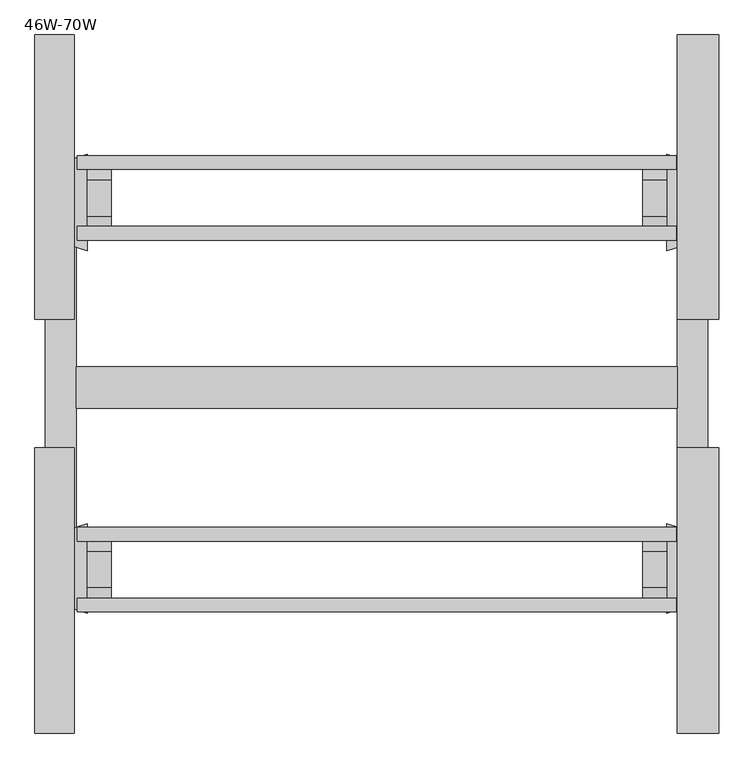
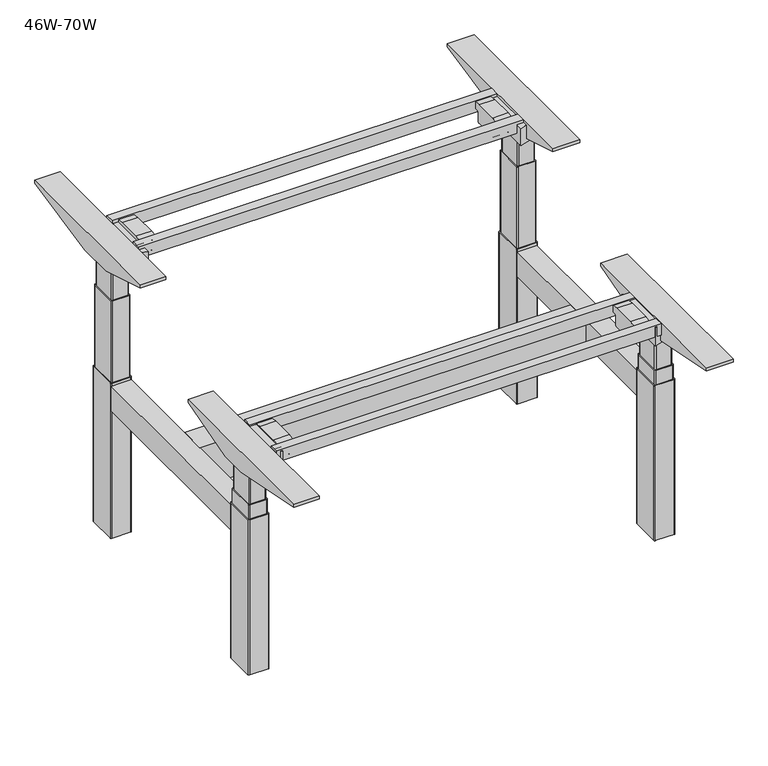
"""IFC4 building model written with IfcOpenShell, lengths in millimetres: furniture geometry, 46W-70W."""

import ifcopenshell
import ifcopenshell.guid

model = None  # the IFC model being written
_history = None  # IfcOwnerHistory: only IFC2X3 demands one
_inside = {}  # id of a spatial element -> (the spatial element, [elements in it])
_under = {}  # id of a project, library or spatial element -> (it, [spatial elements below it])
_declared = {}  # id of a project -> (the project, [libraries it declares])
_typed = {}  # id of a type object -> (the type object, [elements of that type])
_made_of = {}  # id of a material, layer set ... -> (it, [elements and type objects made of it])


def new_model(schema):
    """Start an empty IFC model of exactly this schema.

    Asked for "IFC4X3", IfcOpenShell would pick the latest addendum, in which some entities
    have other attributes; the version numbers below select the first issue.
    IFC2X3 requires an IfcOwnerHistory on every rooted entity: one is made here for all.
    """
    global model, _history
    if schema == "IFC4X3":
        model = ifcopenshell.file(schema_version=(4, 3, 0, 0))
    else:
        model = ifcopenshell.file(schema=schema)
    _inside.clear()
    _under.clear()
    _declared.clear()
    _typed.clear()
    _made_of.clear()
    _history = None
    if model.schema == "IFC2X3":
        org = make("IfcOrganization", Name="unknown")
        user = make(
            "IfcPersonAndOrganization",
            ThePerson=make("IfcPerson", FamilyName="unknown"),
            TheOrganization=org,
        )
        app = make(
            "IfcApplication",
            ApplicationDeveloper=org,
            Version="unknown",
            ApplicationFullName="unknown",
            ApplicationIdentifier="unknown",
        )
        _history = make(
            "IfcOwnerHistory",
            OwningUser=user,
            OwningApplication=app,
            ChangeAction="ADDED",
            CreationDate=0,
        )
    return model


def make(cls, **values):
    """One entity of the class cls with the attributes given. An attribute that is None is left unset."""
    return model.create_entity(
        cls, **{name: value for name, value in values.items() if value is not None}
    )


def rooted(cls, **values):
    """An entity with a GlobalId (a new one), such as an element, a storey or a relation."""
    return make(cls, GlobalId=ifcopenshell.guid.new(), OwnerHistory=_history, **values)


def si_unit(unit_type, name, prefix=None):
    """IfcSIUnit, for example si_unit("LENGTHUNIT", "METRE", prefix="MILLI")."""
    return make("IfcSIUnit", UnitType=unit_type, Prefix=prefix, Name=name)


def assignment(units):
    """IfcUnitAssignment: the units of a project."""
    return None if units is None else make("IfcUnitAssignment", Units=units)


def point(xyz):
    """IfcCartesianPoint."""
    return None if xyz is None else make("IfcCartesianPoint", Coordinates=xyz)


def direction(xyz):
    """IfcDirection."""
    return None if xyz is None else make("IfcDirection", DirectionRatios=xyz)


def frame(location, z_axis=None, x_axis=None):
    """IfcAxis2Placement3D, a coordinate frame: its origin and axes. An axis left out is left unset."""
    return make(
        "IfcAxis2Placement3D",
        Location=point(location),
        Axis=direction(z_axis),
        RefDirection=direction(x_axis),
    )


def frame_2d(location, x_axis=None):
    """IfcAxis2Placement2D, a coordinate frame in the plane: its origin and x axis."""
    return make(
        "IfcAxis2Placement2D", Location=point(location), RefDirection=direction(x_axis)
    )


def origin():
    """The frame at (0, 0, 0) with its axes left unset."""
    return frame((0.0, 0.0, 0.0))


def origin_with_axes():
    """The frame at (0, 0, 0) with the z axis (0, 0, 1) and the x axis (1, 0, 0) written out."""
    return frame((0.0, 0.0, 0.0), z_axis=(0.0, 0.0, 1.0), x_axis=(1.0, 0.0, 0.0))


def place(relative_to, where):
    """IfcLocalPlacement: puts the frame where relative to a parent placement (None: the world)."""
    return make(
        "IfcLocalPlacement", PlacementRelTo=relative_to, RelativePlacement=where
    )


def context(
    kind, dimensions, precision=None, world=None, true_north=None, identifier=None
):
    """IfcGeometricRepresentationContext, for example the 3D "Model" context."""
    return make(
        "IfcGeometricRepresentationContext",
        ContextIdentifier=identifier,
        ContextType=kind,
        CoordinateSpaceDimension=dimensions,
        Precision=precision,
        WorldCoordinateSystem=world,
        TrueNorth=true_north,
    )


def project(units=None, contexts=None):
    """IfcProject with its units and contexts."""
    return rooted(
        "IfcProject",
        Name="project",
        RepresentationContexts=contexts,
        UnitsInContext=assignment(units),
    )


def spatial(cls, under=None, at=None, **own):
    """A site, building, storey or space (cls), placed at a placement, below another one or the project."""
    s = rooted(cls, ObjectPlacement=at, **own)
    if under is not None:
        _under.setdefault(under.id(), (under, []))[1].append(s)
    return s


def polyline(points):
    """IfcPolyline through the points."""
    return make("IfcPolyline", Points=[point(p) for p in points])


def circle_curve(where, radius):
    """IfcCircle in the frame where."""
    return make("IfcCircle", Position=where, Radius=radius)


def trimmed(basis, trim1, trim2, sense, master):
    """IfcTrimmedCurve: the piece of a basis curve between two trims."""
    return make(
        "IfcTrimmedCurve",
        BasisCurve=basis,
        Trim1=trim1,
        Trim2=trim2,
        SenseAgreement=sense,
        MasterRepresentation=master,
    )


def segment(curve, same_sense, transition):
    """IfcCompositeCurveSegment."""
    return make(
        "IfcCompositeCurveSegment",
        Transition=transition,
        SameSense=same_sense,
        ParentCurve=curve,
    )


def composite_curve(segments, self_intersect=None):
    """IfcCompositeCurve: segments joined end to end."""
    return make("IfcCompositeCurve", Segments=segments, SelfIntersect=self_intersect)


def outline(outer, holes=None, kind="AREA"):
    """IfcArbitraryClosedProfileDef: a profile drawn as a closed curve; with holes, ...WithVoids."""
    if holes is None:
        return make("IfcArbitraryClosedProfileDef", ProfileType=kind, OuterCurve=outer)
    return make(
        "IfcArbitraryProfileDefWithVoids",
        ProfileType=kind,
        OuterCurve=outer,
        InnerCurves=holes,
    )


def extrude(swept, where, along, depth):
    """IfcExtrudedAreaSolid: the profile swept, set in the frame where, extruded along a direction by depth."""
    return make(
        "IfcExtrudedAreaSolid",
        SweptArea=swept,
        Position=where,
        ExtrudedDirection=direction(along),
        Depth=depth,
    )


def shape(context_of_items, identifier, shape_type, items):
    """IfcShapeRepresentation: the items that make up one representation, for example the "Body"."""
    return make(
        "IfcShapeRepresentation",
        ContextOfItems=context_of_items,
        RepresentationIdentifier=identifier,
        RepresentationType=shape_type,
        Items=items,
    )


def source(mapping_origin, context_of_items, identifier, shape_type, items):
    """IfcRepresentationMap: a shape defined once, which mapped items show again and again."""
    return make(
        "IfcRepresentationMap",
        MappingOrigin=mapping_origin,
        MappedRepresentation=shape(context_of_items, identifier, shape_type, items),
    )


def transform(
    local_origin,
    x_axis=None,
    y_axis=None,
    z_axis=None,
    scale=None,
    scale2=None,
    scale3=None,
    uniform=True,
):
    """IfcCartesianTransformationOperator3D, or its non-uniform kind. x_axis, y_axis, z_axis: its Axis1, 2, 3."""
    if uniform:
        return make(
            "IfcCartesianTransformationOperator3D",
            Axis1=direction(x_axis),
            Axis2=direction(y_axis),
            LocalOrigin=point(local_origin),
            Scale=scale,
            Axis3=direction(z_axis),
        )
    return make(
        "IfcCartesianTransformationOperator3DnonUniform",
        Axis1=direction(x_axis),
        Axis2=direction(y_axis),
        LocalOrigin=point(local_origin),
        Scale=scale,
        Axis3=direction(z_axis),
        Scale2=scale2,
        Scale3=scale3,
    )


def mapped(mapping_source, mapping_target):
    """IfcMappedItem: shows the shape of a source again, moved by a transform."""
    return make(
        "IfcMappedItem", MappingSource=mapping_source, MappingTarget=mapping_target
    )


def made_of(thing, what):
    """Note that an element or type object is made of a material, layer set ...; save() writes the relation."""
    if what is not None:
        _made_of.setdefault(what.id(), (what, []))[1].append(thing)
    return thing


def element(
    cls,
    number,
    at=None,
    inside=None,
    cuts=None,
    type_object=None,
    material=None,
    context=None,
    identifier="Body",
    shape_type=None,
    held_by="IfcProductDefinitionShape",
    body=None,
    shapes=None,
    **own,
):
    """One element of the class cls, such as IfcWall. Its Tag is "e" and its number.

    at: its placement. inside: the storey or other place that contains it. cuts: it is an
    opening in that element (IfcRelVoidsElement). A single representation is given by context,
    identifier, shape_type and body (its items); several are given by shapes. held_by: the class
    of the entity that holds the representations. save() writes the other relations.
    """
    e = rooted(cls, Tag="e%d" % number, ObjectPlacement=at, **own)
    if body is not None:
        shapes = [shape(context, identifier, shape_type, body)]
    if shapes is not None:
        e.Representation = make(held_by, Representations=shapes)
    if inside is not None:
        _inside.setdefault(inside.id(), (inside, []))[1].append(e)
    if cuts is not None:
        rooted(
            "IfcRelVoidsElement", RelatingBuildingElement=cuts, RelatedOpeningElement=e
        )
    if type_object is not None:
        _typed.setdefault(type_object.id(), (type_object, []))[1].append(e)
    return made_of(e, material)


def aggregate(whole, parts):
    """IfcRelAggregates: a whole, such as a stair, and the parts it consists of."""
    return rooted("IfcRelAggregates", RelatingObject=whole, RelatedObjects=parts)


def save(model, path):
    """Write the relations noted so far, then the file.

    IfcRelAggregates (storeys below a building ...), IfcRelContainedInSpatialStructure (elements
    in a storey), IfcRelDefinesByType, IfcRelAssociatesMaterial and IfcRelDeclares: one each for
    every whole, place, type object, material and project.
    """
    for whole, parts in _under.values():
        aggregate(whole, parts)
    for where, things in _inside.values():
        rooted(
            "IfcRelContainedInSpatialStructure",
            RelatedElements=things,
            RelatingStructure=where,
        )
    for kind, things in _typed.values():
        rooted("IfcRelDefinesByType", RelatedObjects=things, RelatingType=kind)
    for what, things in _made_of.values():
        rooted("IfcRelAssociatesMaterial", RelatedObjects=things, RelatingMaterial=what)
    for by, libraries in _declared.values():
        rooted("IfcRelDeclares", RelatingContext=by, RelatedDefinitions=libraries)
    model.write(path)


def furniture_46w_70w_755ee6cf(model_context):
    return source(origin(), model_context, "Body", "SweptSolid", [
        extrude(outline(polyline([(1179.4504883, -466.1832528), (1179.4504883, -491.5833013), (77.8495117, -491.5833013), (77.8495117, -466.1832528), (1179.4504883, -466.1832528)])), frame((0.0, 0.0, 853.3997747), z_axis=(0.0, 0.0, 1.0), x_axis=(1.0, 0.0, 0.0)), (0.0, 0.0, 1.0), 35.6002253),
        extrude(outline(polyline([(1179.4504883, -336.1417692), (1179.4504883, -361.5418176), (77.8495117, -361.5418176), (77.8495117, -336.1417692), (1179.4504883, -336.1417692)])), frame((0.0, 0.0, 853.3997747), z_axis=(0.0, 0.0, 1.0), x_axis=(1.0, 0.0, 0.0)), (0.0, 0.0, 1.0), 35.6002253),
        extrude(outline(polyline([(1179.4504883, -1019.7166987), (1179.4504883, -1045.1167472), (77.8495117, -1045.1167472), (77.8495117, -1019.7166987), (1179.4504883, -1019.7166987)])), frame((0.0, 0.0, 650.1997747), z_axis=(0.0, 0.0, 1.0), x_axis=(1.0, 0.0, 0.0)), (0.0, 0.0, 1.0), 35.6002253),
        extrude(outline(polyline([(1179.4504883, -1149.7581824), (1179.4504883, -1175.1582308), (77.8495117, -1175.1582308), (77.8495117, -1149.7581824), (1179.4504883, -1149.7581824)])), frame((0.0, 0.0, 650.1997747), z_axis=(0.0, 0.0, 1.0), x_axis=(1.0, 0.0, 0.0)), (0.0, 0.0, 1.0), 35.6002253),
        extrude(outline(polyline([(467.7156009, 1180.882959), (467.7156009, 76.417041), (388.942891, 76.417041), (347.7514117, 129.7292559), (347.7514117, 1127.5707441), (388.942891, 1180.882959), (467.7156009, 1180.882959)])), frame((0.0, -800.1, 0.0), z_axis=(0.0, 1.0, 0.0), x_axis=(0.0, 0.0, 1.0)), (0.0, 0.0, 1.0), 76.2),
        extrude(outline(composite_curve([segment(polyline([(-1040.1471632, 662.7171551), (-1054.6796212, 662.7171551)]), True, "CONTINUOUS"), segment(trimmed(circle_curve(frame_2d((-1054.6796212, 660.1436804)), 2.5734747), [point((-1054.6796212, 662.7171551))], [point((-1057.2530959, 660.1436804))], True, "CARTESIAN"), True, "CONTINUOUS"), segment(polyline([(-1057.2530959, 660.1436804), (-1057.2530959, 633.6605175)]), True, "CONTINUOUS"), segment(trimmed(circle_curve(frame_2d((-1062.3077725, 633.6605175)), 5.0546767), [point((-1057.2530959, 633.6605175))], [point((-1062.3077725, 628.6058409))], False, "CARTESIAN"), True, "CONTINUOUS"), segment(polyline([(-1062.3077725, 628.6058409), (-1131.1363616, 628.6058409)]), True, "CONTINUOUS"), segment(trimmed(circle_curve(frame_2d((-1131.1363616, 633.4898603)), 4.8840194), [point((-1131.1363616, 628.6058409))], [point((-1136.020381, 633.4898603))], False, "CARTESIAN"), True, "CONTINUOUS"), segment(polyline([(-1136.020381, 633.4898603), (-1136.020381, 659.3779551)]), True, "CONTINUOUS"), segment(trimmed(circle_curve(frame_2d((-1139.1693211, 659.3779551)), 3.1489401), [point((-1136.020381, 659.3779551))], [point((-1139.1693211, 662.5268952))], True, "CARTESIAN"), True, "CONTINUOUS"), segment(polyline([(-1139.1693211, 662.5268952), (-1153.5282722, 662.5268952), (-1153.5282722, 682.4799481), (-1129.9048758, 685.8), (-1063.1945212, 685.8), (-1040.1471632, 682.5609051), (-1040.1471632, 662.7171551)]), True, "CONTINUOUS")], self_intersect=False)), frame((1117.6124023, 0.0, 0.0), z_axis=(1.0, 0.0, 0.0), x_axis=(0.0, 1.0, 0.0)), (0.0, 0.0, 1.0), 43.8949951),
        extrude(outline(composite_curve([segment(polyline([(-1040.2605008, 662.7171551), (-1054.7929587, 662.7171551)]), True, "CONTINUOUS"), segment(trimmed(circle_curve(frame_2d((-1054.7929587, 660.1436804)), 2.5734747), [point((-1054.7929587, 662.7171551))], [point((-1057.3664334, 660.1436804))], True, "CARTESIAN"), True, "CONTINUOUS"), segment(polyline([(-1057.3664334, 660.1436804), (-1057.3664334, 633.6605175)]), True, "CONTINUOUS"), segment(trimmed(circle_curve(frame_2d((-1062.42111, 633.6605175)), 5.0546767), [point((-1057.3664334, 633.6605175))], [point((-1062.42111, 628.6058409))], False, "CARTESIAN"), True, "CONTINUOUS"), segment(polyline([(-1062.42111, 628.6058409), (-1131.2496991, 628.6058409)]), True, "CONTINUOUS"), segment(trimmed(circle_curve(frame_2d((-1131.2496991, 633.4898603)), 4.8840194), [point((-1131.2496991, 628.6058409))], [point((-1136.1337185, 633.4898603))], False, "CARTESIAN"), True, "CONTINUOUS"), segment(polyline([(-1136.1337185, 633.4898603), (-1136.1337185, 659.3779551)]), True, "CONTINUOUS"), segment(trimmed(circle_curve(frame_2d((-1139.2826586, 659.3779551)), 3.1489401), [point((-1136.1337185, 659.3779551))], [point((-1139.2826586, 662.5268952))], True, "CARTESIAN"), True, "CONTINUOUS"), segment(polyline([(-1139.2826586, 662.5268952), (-1153.6416097, 662.5268952), (-1153.6416097, 682.4799481), (-1130.0182133, 685.8), (-1063.3078587, 685.8), (-1040.2605008, 682.5609051), (-1040.2605008, 662.7171551)]), True, "CONTINUOUS")], self_intersect=False)), frame((95.7926025, 0.0, 0.0), z_axis=(1.0, 0.0, 0.0), x_axis=(0.0, 1.0, 0.0)), (0.0, 0.0, 1.0), 45.0298096),
        extrude(outline(polyline([(-873.4827468, 676.5860275), (-1057.3018819, 624.5270521), (-1136.5016988, 624.5270521), (-1397.715681, 676.5860275), (-1397.715681, 685.8), (-873.4827468, 685.8), (-873.4827468, 676.5860275)])), frame((1180.882959, 0.0, 0.0), z_axis=(1.0, 0.0, 0.0), x_axis=(0.0, 1.0, 0.0)), (0.0, 0.0, 1.0), 76.417041),
        extrude(outline(polyline([(-873.4827468, 676.5860275), (-1057.3018819, 624.5270521), (-1136.5016988, 624.5270521), (-1397.715681, 676.5860275), (-1397.715681, 685.8), (-873.4827468, 685.8), (-873.4827468, 676.5860275)])), frame((0.0, 0.0, 0.0), z_axis=(1.0, 0.0, 0.0), x_axis=(0.0, 1.0, 0.0)), (0.0, 0.0, 1.0), 72.4079834),
        extrude(outline(composite_curve([segment(polyline([(-471.1298559, 865.9171551), (-471.1298559, 885.7609051), (-448.3484954, 888.9626165), (-381.1061459, 888.9626165), (-357.7487469, 885.6799481), (-357.7487469, 865.7268952), (-372.1076981, 865.7268952)]), True, "CONTINUOUS"), segment(trimmed(circle_curve(frame_2d((-372.1076981, 862.5779551)), 3.1489401), [point((-372.1076981, 865.7268952))], [point((-375.2566381, 862.5779551))], True, "CARTESIAN"), True, "CONTINUOUS"), segment(polyline([(-375.2566381, 862.5779551), (-375.2566381, 836.6898603)]), True, "CONTINUOUS"), segment(trimmed(circle_curve(frame_2d((-380.1406576, 836.6898603)), 4.8840194), [point((-375.2566381, 836.6898603))], [point((-380.1406576, 831.8058409))], False, "CARTESIAN"), True, "CONTINUOUS"), segment(polyline([(-380.1406576, 831.8058409), (-448.9692466, 831.8058409)]), True, "CONTINUOUS"), segment(trimmed(circle_curve(frame_2d((-448.9692466, 836.8605175)), 5.0546767), [point((-448.9692466, 831.8058409))], [point((-454.0239233, 836.8605175))], False, "CARTESIAN"), True, "CONTINUOUS"), segment(polyline([(-454.0239233, 836.8605175), (-454.0239233, 863.3436804)]), True, "CONTINUOUS"), segment(trimmed(circle_curve(frame_2d((-456.5973979, 863.3436804)), 2.5734747), [point((-454.0239233, 863.3436804))], [point((-456.5973979, 865.9171551))], True, "CARTESIAN"), True, "CONTINUOUS"), segment(polyline([(-456.5973979, 865.9171551), (-471.1298559, 865.9171551)]), True, "CONTINUOUS")], self_intersect=False)), frame((1117.6124023, 0.0, 0.0), z_axis=(1.0, 0.0, 0.0), x_axis=(0.0, 1.0, 0.0)), (0.0, 0.0, 1.0), 43.8949951),
        extrude(outline(polyline([(-361.2125066, 827.7270521), (-466.9950396, 827.7270521), (-637.1542941, 879.7860275), (-637.1542941, 889.0), (-114.0732863, 889.0), (-114.0732863, 879.5903854), (-361.2125066, 827.7270521)])), frame((1180.882959, 0.0, 0.0), z_axis=(1.0, 0.0, 0.0), x_axis=(0.0, 1.0, 0.0)), (0.0, 0.0, 1.0), 76.417041),
        extrude(outline(composite_curve([segment(polyline([(-471.1298559, 865.9171551), (-471.1298559, 885.7609051), (-448.3484954, 888.9626165), (-381.1061459, 888.9626165), (-357.7487469, 885.6799481), (-357.7487469, 865.7268952), (-372.1076981, 865.7268952)]), True, "CONTINUOUS"), segment(trimmed(circle_curve(frame_2d((-372.1076981, 862.5779551)), 3.1489401), [point((-372.1076981, 865.7268952))], [point((-375.2566381, 862.5779551))], True, "CARTESIAN"), True, "CONTINUOUS"), segment(polyline([(-375.2566381, 862.5779551), (-375.2566381, 836.6898603)]), True, "CONTINUOUS"), segment(trimmed(circle_curve(frame_2d((-380.1406576, 836.6898603)), 4.8840194), [point((-375.2566381, 836.6898603))], [point((-380.1406576, 831.8058409))], False, "CARTESIAN"), True, "CONTINUOUS"), segment(polyline([(-380.1406576, 831.8058409), (-448.9692466, 831.8058409)]), True, "CONTINUOUS"), segment(trimmed(circle_curve(frame_2d((-448.9692466, 836.8605175)), 5.0546767), [point((-448.9692466, 831.8058409))], [point((-454.0239233, 836.8605175))], False, "CARTESIAN"), True, "CONTINUOUS"), segment(polyline([(-454.0239233, 836.8605175), (-454.0239233, 863.3436804)]), True, "CONTINUOUS"), segment(trimmed(circle_curve(frame_2d((-456.5973979, 863.3436804)), 2.5734747), [point((-454.0239233, 863.3436804))], [point((-456.5973979, 865.9171551))], True, "CARTESIAN"), True, "CONTINUOUS"), segment(polyline([(-456.5973979, 865.9171551), (-471.1298559, 865.9171551)]), True, "CONTINUOUS")], self_intersect=False)), frame((95.7926025, 0.0, 0.0), z_axis=(1.0, 0.0, 0.0), x_axis=(0.0, 1.0, 0.0)), (0.0, 0.0, 1.0), 45.0298096),
        extrude(outline(polyline([(-361.2125066, 827.7270521), (-466.9950396, 827.7270521), (-637.1542941, 879.7860275), (-637.1542941, 889.0), (-114.0732863, 889.0), (-114.0732863, 879.5903854), (-361.2125066, 827.7270521)])), frame((0.0, 0.0, 0.0), z_axis=(1.0, 0.0, 0.0), x_axis=(0.0, 1.0, 0.0)), (0.0, 0.0, 1.0), 72.4079834),
        extrude(outline(composite_curve([segment(trimmed(circle_curve(frame_2d((47.804834, -1102.4053786)), 21.5292959), [point((26.275538, -1102.4053786))], [point((69.3341299, -1102.4053786))], False, "CARTESIAN"), True, "CONTINUOUS"), segment(trimmed(circle_curve(frame_2d((47.804834, -1102.4053786)), 21.5292959), [point((69.3341299, -1102.4053786))], [point((26.275538, -1102.4053786))], False, "CARTESIAN"), True, "CONTINUOUS")], self_intersect=False)), origin_with_axes(), (0.0, 0.0, 1.0), 7.1278597),
        extrude(outline(composite_curve([segment(trimmed(circle_curve(frame_2d((47.804834, -413.3792189)), 21.0370509), [point((26.7677831, -413.3792189))], [point((68.8418849, -413.3792189))], False, "CARTESIAN"), True, "CONTINUOUS"), segment(trimmed(circle_curve(frame_2d((47.804834, -413.3792189)), 21.0370509), [point((68.8418849, -413.3792189))], [point((26.7677831, -413.3792189))], False, "CARTESIAN"), True, "CONTINUOUS")], self_intersect=False)), origin_with_axes(), (0.0, 0.0, 1.0), 7.1278597),
        extrude(outline(composite_curve([segment(trimmed(circle_curve(frame_2d((1210.109082, -413.3792189)), 21.59), [point((1188.519082, -413.3792189))], [point((1231.699082, -413.3792189))], False, "CARTESIAN"), True, "CONTINUOUS"), segment(trimmed(circle_curve(frame_2d((1210.109082, -413.3792189)), 21.59), [point((1231.699082, -413.3792189))], [point((1188.519082, -413.3792189))], False, "CARTESIAN"), True, "CONTINUOUS")], self_intersect=False)), origin_with_axes(), (0.0, 0.0, 1.0), 7.1278597),
        extrude(outline(composite_curve([segment(trimmed(circle_curve(frame_2d((1210.109082, -1102.4053786)), 21.5313416), [point((1188.5777404, -1102.4053786))], [point((1231.6404236, -1102.4053786))], False, "CARTESIAN"), True, "CONTINUOUS"), segment(trimmed(circle_curve(frame_2d((1210.109082, -1102.4053786)), 21.5313416), [point((1231.6404236, -1102.4053786))], [point((1188.5777404, -1102.4053786))], False, "CARTESIAN"), True, "CONTINUOUS")], self_intersect=False)), origin_with_axes(), (0.0, 0.0, 1.0), 7.1278597),
        extrude(outline(composite_curve([segment(polyline([(1161.5073975, -1177.3885431), (1161.5073975, -1012.7238864), (1243.7244546, -1038.497732)]), True, "CONTINUOUS"), segment(trimmed(circle_curve(frame_2d((1239.7733237, -1051.1016081)), 13.2086763), [point((1243.7244546, -1038.497732))], [point((1252.982, -1051.1016081))], False, "CARTESIAN"), True, "CONTINUOUS"), segment(polyline([(1252.982, -1051.1016081), (1252.982, -1139.3844441)]), True, "CONTINUOUS"), segment(trimmed(circle_curve(frame_2d((1240.282, -1139.3844441)), 12.7), [point((1252.982, -1139.3844441))], [point((1244.0809698, -1151.5029352))], False, "CARTESIAN"), True, "CONTINUOUS"), segment(polyline([(1244.0809698, -1151.5029352), (1161.5073975, -1177.3885431)]), True, "CONTINUOUS")], self_intersect=False)), frame((0.0, 0.0, 624.5270521), z_axis=(0.0, 0.0, 1.0), x_axis=(1.0, 0.0, 0.0)), (0.0, 0.0, 1.0), 56.7116419),
        extrude(outline(composite_curve([segment(polyline([(95.7926025, -1177.3885431), (13.2190302, -1151.5029352)]), True, "CONTINUOUS"), segment(trimmed(circle_curve(frame_2d((17.018, -1139.3844441)), 12.7), [point((13.2190302, -1151.5029352))], [point((4.318, -1139.3844441))], False, "CARTESIAN"), True, "CONTINUOUS"), segment(polyline([(4.318, -1139.3844441), (4.318, -1051.1016081)]), True, "CONTINUOUS"), segment(trimmed(circle_curve(frame_2d((17.5266763, -1051.1016081)), 13.2086763), [point((4.318, -1051.1016081))], [point((13.5755454, -1038.497732))], False, "CARTESIAN"), True, "CONTINUOUS"), segment(polyline([(13.5755454, -1038.497732), (95.7926025, -1012.7238864), (95.7926025, -1177.3885431)]), True, "CONTINUOUS")], self_intersect=False)), frame((0.0, 0.0, 624.5270521), z_axis=(0.0, 0.0, 1.0), x_axis=(1.0, 0.0, 0.0)), (0.0, 0.0, 1.0), 56.7116419),
        extrude(outline(composite_curve([segment(polyline([(95.7926025, -333.9114569), (95.7926025, -511.2761136), (13.5755454, -485.502268)]), True, "CONTINUOUS"), segment(trimmed(circle_curve(frame_2d((17.5266763, -472.8983919)), 13.2086763), [point((13.5755454, -485.502268))], [point((4.318, -472.8983919))], False, "CARTESIAN"), True, "CONTINUOUS"), segment(polyline([(4.318, -472.8983919), (4.318, -371.9155559)]), True, "CONTINUOUS"), segment(trimmed(circle_curve(frame_2d((17.018, -371.9155559)), 12.7), [point((4.318, -371.9155559))], [point((13.2190302, -359.7970648))], False, "CARTESIAN"), True, "CONTINUOUS"), segment(polyline([(13.2190302, -359.7970648), (95.7926025, -333.9114569)]), True, "CONTINUOUS")], self_intersect=False)), frame((0.0, 0.0, 827.7270521), z_axis=(0.0, 0.0, 1.0), x_axis=(1.0, 0.0, 0.0)), (0.0, 0.0, 1.0), 52.0589754),
        extrude(outline(composite_curve([segment(polyline([(1161.5073975, -333.9114569), (1244.0809698, -359.7970648)]), True, "CONTINUOUS"), segment(trimmed(circle_curve(frame_2d((1240.282, -371.9155559)), 12.7), [point((1244.0809698, -359.7970648))], [point((1252.982, -371.9155559))], False, "CARTESIAN"), True, "CONTINUOUS"), segment(polyline([(1252.982, -371.9155559), (1252.982, -472.8983919)]), True, "CONTINUOUS"), segment(trimmed(circle_curve(frame_2d((1239.7733237, -472.8983919)), 13.2086763), [point((1252.982, -472.8983919))], [point((1243.7244546, -485.502268))], False, "CARTESIAN"), True, "CONTINUOUS"), segment(polyline([(1243.7244546, -485.502268), (1161.5073975, -511.2761136), (1161.5073975, -333.9114569)]), True, "CONTINUOUS")], self_intersect=False)), frame((0.0, 0.0, 827.7270521), z_axis=(0.0, 0.0, 1.0), x_axis=(1.0, 0.0, 0.0)), (0.0, 0.0, 1.0), 52.0589754),
        extrude(outline(polyline([(76.417041, -1051.8557027), (18.5880127, -1051.8557027), (18.5880127, -459.4442973), (76.417041, -459.4442973), (76.417041, -1051.8557027)])), frame((0.0, 0.0, 393.0395994), z_axis=(0.0, 0.0, 1.0), x_axis=(1.0, 0.0, 0.0)), (0.0, 0.0, 1.0), 74.6760015),
        extrude(outline(polyline([(1236.7958252, -1051.8557027), (1180.882959, -1051.8557027), (1180.882959, -459.4442973), (1236.7958252, -459.4442973), (1236.7958252, -1051.8557027)])), frame((0.0, 0.0, 393.0395994), z_axis=(0.0, 0.0, 1.0), x_axis=(1.0, 0.0, 0.0)), (0.0, 0.0, 1.0), 74.6760015),
        extrude(outline(composite_curve([segment(trimmed(circle_curve(frame_2d((1188.0001633, -1133.3935521)), 3.1081467), [point((1188.0001633, -1136.5016988))], [point((1184.8920166, -1133.3935521))], False, "CARTESIAN"), True, "CONTINUOUS"), segment(polyline([(1184.8920166, -1133.3935521), (1184.8920166, -1060.4581797)]), True, "CONTINUOUS"), segment(trimmed(circle_curve(frame_2d((1188.0483144, -1060.4581797)), 3.1562978), [point((1184.8920166, -1060.4581797))], [point((1188.0483144, -1057.3018819))], False, "CARTESIAN"), True, "CONTINUOUS"), segment(polyline([(1188.0483144, -1057.3018819), (1231.0503154, -1057.3018819)]), True, "CONTINUOUS"), segment(trimmed(circle_curve(frame_2d((1231.0503154, -1060.3498819)), 3.048), [point((1231.0503154, -1057.3018819))], [point((1234.0983154, -1060.3498819))], False, "CARTESIAN"), True, "CONTINUOUS"), segment(polyline([(1234.0983154, -1060.3498819), (1234.0983154, -1133.4159888)]), True, "CONTINUOUS"), segment(trimmed(circle_curve(frame_2d((1231.0126054, -1133.4159888)), 3.08571), [point((1234.0983154, -1133.4159888))], [point((1231.0126054, -1136.5016988))], False, "CARTESIAN"), True, "CONTINUOUS"), segment(polyline([(1231.0126054, -1136.5016988), (1188.0001633, -1136.5016988)]), True, "CONTINUOUS")], self_intersect=False)), frame((0.0, 0.0, 519.3710521), z_axis=(0.0, 0.0, 1.0), x_axis=(1.0, 0.0, 0.0)), (0.0, 0.0, 1.0), 105.156),
        extrude(outline(composite_curve([segment(polyline([(69.2998367, -1136.5016988), (26.2873946, -1136.5016988)]), True, "CONTINUOUS"), segment(trimmed(circle_curve(frame_2d((26.2873946, -1133.4159888)), 3.08571), [point((26.2873946, -1136.5016988))], [point((23.2016846, -1133.4159888))], False, "CARTESIAN"), True, "CONTINUOUS"), segment(polyline([(23.2016846, -1133.4159888), (23.2016846, -1060.3498819)]), True, "CONTINUOUS"), segment(trimmed(circle_curve(frame_2d((26.2496846, -1060.3498819)), 3.048), [point((23.2016846, -1060.3498819))], [point((26.2496846, -1057.3018819))], False, "CARTESIAN"), True, "CONTINUOUS"), segment(polyline([(26.2496846, -1057.3018819), (69.2516856, -1057.3018819)]), True, "CONTINUOUS"), segment(trimmed(circle_curve(frame_2d((69.2516856, -1060.4581797)), 3.1562978), [point((69.2516856, -1057.3018819))], [point((72.4079834, -1060.4581797))], False, "CARTESIAN"), True, "CONTINUOUS"), segment(polyline([(72.4079834, -1060.4581797), (72.4079834, -1133.3935521)]), True, "CONTINUOUS"), segment(trimmed(circle_curve(frame_2d((69.2998367, -1133.3935521)), 3.1081467), [point((72.4079834, -1133.3935521))], [point((69.2998367, -1136.5016988))], False, "CARTESIAN"), True, "CONTINUOUS")], self_intersect=False)), frame((0.0, 0.0, 519.3710521), z_axis=(0.0, 0.0, 1.0), x_axis=(1.0, 0.0, 0.0)), (0.0, 0.0, 1.0), 105.156),
        extrude(outline(composite_curve([segment(trimmed(circle_curve(frame_2d((1185.1657938, -1136.2325725)), 2.971287), [point((1185.1657938, -1139.2038595))], [point((1182.1945068, -1136.2325725))], False, "CARTESIAN"), True, "CONTINUOUS"), segment(polyline([(1182.1945068, -1136.2325725), (1182.1945068, -1057.5238315)]), True, "CONTINUOUS"), segment(trimmed(circle_curve(frame_2d((1185.1186171, -1057.5238315)), 2.9241102), [point((1182.1945068, -1057.5238315))], [point((1185.1186171, -1054.5997213))], False, "CARTESIAN"), True, "CONTINUOUS"), segment(polyline([(1185.1186171, -1054.5997213), (1233.6718357, -1054.5997213)]), True, "CONTINUOUS"), segment(trimmed(circle_curve(frame_2d((1233.6718357, -1057.7237108)), 3.1239895), [point((1233.6718357, -1054.5997213))], [point((1236.7958252, -1057.7237108))], False, "CARTESIAN"), True, "CONTINUOUS"), segment(polyline([(1236.7958252, -1057.7237108), (1236.7958252, -1136.1514433)]), True, "CONTINUOUS"), segment(trimmed(circle_curve(frame_2d((1233.743409, -1136.1514433)), 3.0524162), [point((1236.7958252, -1136.1514433))], [point((1233.743409, -1139.2038595))], False, "CARTESIAN"), True, "CONTINUOUS"), segment(polyline([(1233.743409, -1139.2038595), (1185.1657938, -1139.2038595)]), True, "CONTINUOUS")], self_intersect=False)), frame((0.0, 0.0, 476.25), z_axis=(0.0, 0.0, 1.0), x_axis=(1.0, 0.0, 0.0)), (0.0, 0.0, 1.0), 43.1210521),
        extrude(outline(composite_curve([segment(polyline([(72.1342062, -1139.2038595), (23.556591, -1139.2038595)]), True, "CONTINUOUS"), segment(trimmed(circle_curve(frame_2d((23.556591, -1136.1514433)), 3.0524162), [point((23.556591, -1139.2038595))], [point((20.5041748, -1136.1514433))], False, "CARTESIAN"), True, "CONTINUOUS"), segment(polyline([(20.5041748, -1136.1514433), (20.5041748, -1057.7237108)]), True, "CONTINUOUS"), segment(trimmed(circle_curve(frame_2d((23.6281643, -1057.7237108)), 3.1239895), [point((20.5041748, -1057.7237108))], [point((23.6281643, -1054.5997213))], False, "CARTESIAN"), True, "CONTINUOUS"), segment(polyline([(23.6281643, -1054.5997213), (72.1813829, -1054.5997213)]), True, "CONTINUOUS"), segment(trimmed(circle_curve(frame_2d((72.1813829, -1057.5238315)), 2.9241102), [point((72.1813829, -1054.5997213))], [point((75.1054932, -1057.5238315))], False, "CARTESIAN"), True, "CONTINUOUS"), segment(polyline([(75.1054932, -1057.5238315), (75.1054932, -1136.2325725)]), True, "CONTINUOUS"), segment(trimmed(circle_curve(frame_2d((72.1342062, -1136.2325725)), 2.971287), [point((75.1054932, -1136.2325725))], [point((72.1342062, -1139.2038595))], False, "CARTESIAN"), True, "CONTINUOUS")], self_intersect=False)), frame((0.0, 0.0, 476.25), z_axis=(0.0, 0.0, 1.0), x_axis=(1.0, 0.0, 0.0)), (0.0, 0.0, 1.0), 43.1210521),
        extrude(outline(composite_curve([segment(polyline([(1182.4984883, -1051.8557027), (1236.5092141, -1051.8557027)]), True, "CONTINUOUS"), segment(trimmed(circle_curve(frame_2d((1236.5092141, -1054.8677288)), 3.0120261), [point((1236.5092141, -1051.8557027))], [point((1239.5212402, -1054.8677288))], False, "CARTESIAN"), True, "CONTINUOUS"), segment(polyline([(1239.5212402, -1054.8677288), (1239.5212402, -1138.899878)]), True, "CONTINUOUS"), segment(trimmed(circle_curve(frame_2d((1236.4732402, -1138.899878)), 3.048), [point((1239.5212402, -1138.899878))], [point((1236.4732402, -1141.947878))], False, "CARTESIAN"), True, "CONTINUOUS"), segment(polyline([(1236.4732402, -1141.947878), (1182.4769904, -1141.947878)]), True, "CONTINUOUS"), segment(trimmed(circle_curve(frame_2d((1182.4769904, -1138.9213759)), 3.0265021), [point((1182.4769904, -1141.947878))], [point((1179.4504883, -1138.9213759))], False, "CARTESIAN"), True, "CONTINUOUS"), segment(polyline([(1179.4504883, -1138.9213759), (1179.4504883, -1054.9037027)]), True, "CONTINUOUS"), segment(trimmed(circle_curve(frame_2d((1182.4984883, -1054.9037027)), 3.048), [point((1179.4504883, -1054.9037027))], [point((1182.4984883, -1051.8557027))], False, "CARTESIAN"), True, "CONTINUOUS")], self_intersect=False)), frame((0.0, 0.0, 7.1278597), z_axis=(0.0, 0.0, 1.0), x_axis=(1.0, 0.0, 0.0)), (0.0, 0.0, 1.0), 469.1221403),
        extrude(outline(composite_curve([segment(trimmed(circle_curve(frame_2d((74.8015117, -1054.9037027)), 3.048), [point((74.8015117, -1051.8557027))], [point((77.8495117, -1054.9037027))], False, "CARTESIAN"), True, "CONTINUOUS"), segment(polyline([(77.8495117, -1054.9037027), (77.8495117, -1138.9213759)]), True, "CONTINUOUS"), segment(trimmed(circle_curve(frame_2d((74.8230096, -1138.9213759)), 3.0265021), [point((77.8495117, -1138.9213759))], [point((74.8230096, -1141.947878))], False, "CARTESIAN"), True, "CONTINUOUS"), segment(polyline([(74.8230096, -1141.947878), (20.8267598, -1141.947878)]), True, "CONTINUOUS"), segment(trimmed(circle_curve(frame_2d((20.8267598, -1138.899878)), 3.048), [point((20.8267598, -1141.947878))], [point((17.7787598, -1138.899878))], False, "CARTESIAN"), True, "CONTINUOUS"), segment(polyline([(17.7787598, -1138.899878), (17.7787598, -1054.8677288)]), True, "CONTINUOUS"), segment(trimmed(circle_curve(frame_2d((20.7907859, -1054.8677288)), 3.0120261), [point((17.7787598, -1054.8677288))], [point((20.7907859, -1051.8557027))], False, "CARTESIAN"), True, "CONTINUOUS"), segment(polyline([(20.7907859, -1051.8557027), (74.8015117, -1051.8557027)]), True, "CONTINUOUS")], self_intersect=False)), frame((0.0, 0.0, 7.1278597), z_axis=(0.0, 0.0, 1.0), x_axis=(1.0, 0.0, 0.0)), (0.0, 0.0, 1.0), 469.1221403),
        extrude(outline(composite_curve([segment(trimmed(circle_curve(frame_2d((69.2998367, -377.9064479)), 3.1081467), [point((69.2998367, -374.7983012))], [point((72.4079834, -377.9064479))], False, "CARTESIAN"), True, "CONTINUOUS"), segment(polyline([(72.4079834, -377.9064479), (72.4079834, -450.8418203)]), True, "CONTINUOUS"), segment(trimmed(circle_curve(frame_2d((69.2516856, -450.8418203)), 3.1562978), [point((72.4079834, -450.8418203))], [point((69.2516856, -453.9981181))], False, "CARTESIAN"), True, "CONTINUOUS"), segment(polyline([(69.2516856, -453.9981181), (26.2496846, -453.9981181)]), True, "CONTINUOUS"), segment(trimmed(circle_curve(frame_2d((26.2496846, -450.9501181)), 3.048), [point((26.2496846, -453.9981181))], [point((23.2016846, -450.9501181))], False, "CARTESIAN"), True, "CONTINUOUS"), segment(polyline([(23.2016846, -450.9501181), (23.2016846, -377.8840112)]), True, "CONTINUOUS"), segment(trimmed(circle_curve(frame_2d((26.2873946, -377.8840112)), 3.08571), [point((23.2016846, -377.8840112))], [point((26.2873946, -374.7983012))], False, "CARTESIAN"), True, "CONTINUOUS"), segment(polyline([(26.2873946, -374.7983012), (69.2998367, -374.7983012)]), True, "CONTINUOUS")], self_intersect=False)), frame((0.0, 0.0, 722.5710521), z_axis=(0.0, 0.0, 1.0), x_axis=(1.0, 0.0, 0.0)), (0.0, 0.0, 1.0), 105.156),
        extrude(outline(composite_curve([segment(polyline([(1188.0001633, -374.7983012), (1231.0126054, -374.7983012)]), True, "CONTINUOUS"), segment(trimmed(circle_curve(frame_2d((1231.0126054, -377.8840112)), 3.08571), [point((1231.0126054, -374.7983012))], [point((1234.0983154, -377.8840112))], False, "CARTESIAN"), True, "CONTINUOUS"), segment(polyline([(1234.0983154, -377.8840112), (1234.0983154, -450.9501181)]), True, "CONTINUOUS"), segment(trimmed(circle_curve(frame_2d((1231.0503154, -450.9501181)), 3.048), [point((1234.0983154, -450.9501181))], [point((1231.0503154, -453.9981181))], False, "CARTESIAN"), True, "CONTINUOUS"), segment(polyline([(1231.0503154, -453.9981181), (1188.0483144, -453.9981181)]), True, "CONTINUOUS"), segment(trimmed(circle_curve(frame_2d((1188.0483144, -450.8418203)), 3.1562978), [point((1188.0483144, -453.9981181))], [point((1184.8920166, -450.8418203))], False, "CARTESIAN"), True, "CONTINUOUS"), segment(polyline([(1184.8920166, -450.8418203), (1184.8920166, -377.9064479)]), True, "CONTINUOUS"), segment(trimmed(circle_curve(frame_2d((1188.0001633, -377.9064479)), 3.1081467), [point((1184.8920166, -377.9064479))], [point((1188.0001633, -374.7983012))], False, "CARTESIAN"), True, "CONTINUOUS")], self_intersect=False)), frame((0.0, 0.0, 722.5710521), z_axis=(0.0, 0.0, 1.0), x_axis=(1.0, 0.0, 0.0)), (0.0, 0.0, 1.0), 105.156),
        extrude(outline(composite_curve([segment(trimmed(circle_curve(frame_2d((72.1342062, -375.0674275)), 2.971287), [point((72.1342062, -372.0961405))], [point((75.1054932, -375.0674275))], False, "CARTESIAN"), True, "CONTINUOUS"), segment(polyline([(75.1054932, -375.0674275), (75.1054932, -453.7761685)]), True, "CONTINUOUS"), segment(trimmed(circle_curve(frame_2d((72.1813829, -453.7761685)), 2.9241102), [point((75.1054932, -453.7761685))], [point((72.1813829, -456.7002787))], False, "CARTESIAN"), True, "CONTINUOUS"), segment(polyline([(72.1813829, -456.7002787), (23.6281643, -456.7002787)]), True, "CONTINUOUS"), segment(trimmed(circle_curve(frame_2d((23.6281643, -453.5762892)), 3.1239895), [point((23.6281643, -456.7002787))], [point((20.5041748, -453.5762892))], False, "CARTESIAN"), True, "CONTINUOUS"), segment(polyline([(20.5041748, -453.5762892), (20.5041748, -375.1485567)]), True, "CONTINUOUS"), segment(trimmed(circle_curve(frame_2d((23.556591, -375.1485567)), 3.0524162), [point((20.5041748, -375.1485567))], [point((23.556591, -372.0961405))], False, "CARTESIAN"), True, "CONTINUOUS"), segment(polyline([(23.556591, -372.0961405), (72.1342062, -372.0961405)]), True, "CONTINUOUS")], self_intersect=False)), frame((0.0, 0.0, 476.25), z_axis=(0.0, 0.0, 1.0), x_axis=(1.0, 0.0, 0.0)), (0.0, 0.0, 1.0), 246.3210521),
        extrude(outline(composite_curve([segment(polyline([(1185.1657938, -372.0961405), (1233.743409, -372.0961405)]), True, "CONTINUOUS"), segment(trimmed(circle_curve(frame_2d((1233.743409, -375.1485567)), 3.0524162), [point((1233.743409, -372.0961405))], [point((1236.7958252, -375.1485567))], False, "CARTESIAN"), True, "CONTINUOUS"), segment(polyline([(1236.7958252, -375.1485567), (1236.7958252, -453.5762892)]), True, "CONTINUOUS"), segment(trimmed(circle_curve(frame_2d((1233.6718357, -453.5762892)), 3.1239895), [point((1236.7958252, -453.5762892))], [point((1233.6718357, -456.7002787))], False, "CARTESIAN"), True, "CONTINUOUS"), segment(polyline([(1233.6718357, -456.7002787), (1185.1186171, -456.7002787)]), True, "CONTINUOUS"), segment(trimmed(circle_curve(frame_2d((1185.1186171, -453.7761685)), 2.9241102), [point((1185.1186171, -456.7002787))], [point((1182.1945068, -453.7761685))], False, "CARTESIAN"), True, "CONTINUOUS"), segment(polyline([(1182.1945068, -453.7761685), (1182.1945068, -375.0674275)]), True, "CONTINUOUS"), segment(trimmed(circle_curve(frame_2d((1185.1657938, -375.0674275)), 2.971287), [point((1182.1945068, -375.0674275))], [point((1185.1657938, -372.0961405))], False, "CARTESIAN"), True, "CONTINUOUS")], self_intersect=False)), frame((0.0, 0.0, 476.25), z_axis=(0.0, 0.0, 1.0), x_axis=(1.0, 0.0, 0.0)), (0.0, 0.0, 1.0), 246.3210521),
        extrude(outline(composite_curve([segment(polyline([(74.8015117, -459.4442973), (20.7907859, -459.4442973)]), True, "CONTINUOUS"), segment(trimmed(circle_curve(frame_2d((20.7907859, -456.4322712)), 3.0120261), [point((20.7907859, -459.4442973))], [point((17.7787598, -456.4322712))], False, "CARTESIAN"), True, "CONTINUOUS"), segment(polyline([(17.7787598, -456.4322712), (17.7787598, -372.400122)]), True, "CONTINUOUS"), segment(trimmed(circle_curve(frame_2d((20.8267598, -372.400122)), 3.048), [point((17.7787598, -372.400122))], [point((20.8267598, -369.352122))], False, "CARTESIAN"), True, "CONTINUOUS"), segment(polyline([(20.8267598, -369.352122), (74.8230096, -369.352122)]), True, "CONTINUOUS"), segment(trimmed(circle_curve(frame_2d((74.8230096, -372.3786241)), 3.0265021), [point((74.8230096, -369.352122))], [point((77.8495117, -372.3786241))], False, "CARTESIAN"), True, "CONTINUOUS"), segment(polyline([(77.8495117, -372.3786241), (77.8495117, -456.3962973)]), True, "CONTINUOUS"), segment(trimmed(circle_curve(frame_2d((74.8015117, -456.3962973)), 3.048), [point((77.8495117, -456.3962973))], [point((74.8015117, -459.4442973))], False, "CARTESIAN"), True, "CONTINUOUS")], self_intersect=False)), frame((0.0, 0.0, 7.1278597), z_axis=(0.0, 0.0, 1.0), x_axis=(1.0, 0.0, 0.0)), (0.0, 0.0, 1.0), 469.1221403),
        extrude(outline(composite_curve([segment(trimmed(circle_curve(frame_2d((1182.4984883, -456.3962973)), 3.048), [point((1182.4984883, -459.4442973))], [point((1179.4504883, -456.3962973))], False, "CARTESIAN"), True, "CONTINUOUS"), segment(polyline([(1179.4504883, -456.3962973), (1179.4504883, -372.3786241)]), True, "CONTINUOUS"), segment(trimmed(circle_curve(frame_2d((1182.4769904, -372.3786241)), 3.0265021), [point((1179.4504883, -372.3786241))], [point((1182.4769904, -369.352122))], False, "CARTESIAN"), True, "CONTINUOUS"), segment(polyline([(1182.4769904, -369.352122), (1236.4732402, -369.352122)]), True, "CONTINUOUS"), segment(trimmed(circle_curve(frame_2d((1236.4732402, -372.400122)), 3.048), [point((1236.4732402, -369.352122))], [point((1239.5212402, -372.400122))], False, "CARTESIAN"), True, "CONTINUOUS"), segment(polyline([(1239.5212402, -372.400122), (1239.5212402, -456.4322712)]), True, "CONTINUOUS"), segment(trimmed(circle_curve(frame_2d((1236.5092141, -456.4322712)), 3.0120261), [point((1239.5212402, -456.4322712))], [point((1236.5092141, -459.4442973))], False, "CARTESIAN"), True, "CONTINUOUS"), segment(polyline([(1236.5092141, -459.4442973), (1182.4984883, -459.4442973)]), True, "CONTINUOUS")], self_intersect=False)), frame((0.0, 0.0, 7.1278597), z_axis=(0.0, 0.0, 1.0), x_axis=(1.0, 0.0, 0.0)), (0.0, 0.0, 1.0), 469.1221403),
    ])


if __name__ == "__main__":
    model = new_model("IFC4")
    model_context = context("Model", 3, world=origin())
    ifc_project = project(units=[si_unit("LENGTHUNIT", "METRE", prefix="MILLI")], contexts=[model_context])
    site = spatial("IfcSite", under=ifc_project)
    building = spatial("IfcBuilding", under=site)
    placement = place(None, origin())
    furniture_46w_70w_shape = furniture_46w_70w_755ee6cf(model_context)
    element("IfcFurniture", 1, ObjectType="46W-70W", at=placement, inside=building, context=model_context, shape_type="MappedRepresentation", body=[
        mapped(furniture_46w_70w_shape, transform((0.0, 0.0, 0.0), x_axis=(1.0, 0.0, 0.0), y_axis=(0.0, 1.0, 0.0), z_axis=(0.0, 0.0, 1.0))),
    ])
    save(model, "model.ifc")
